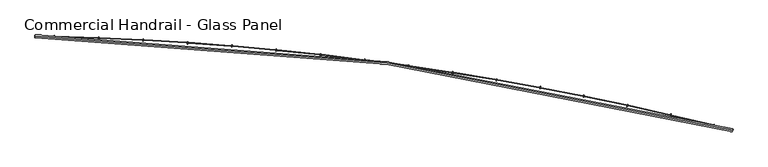
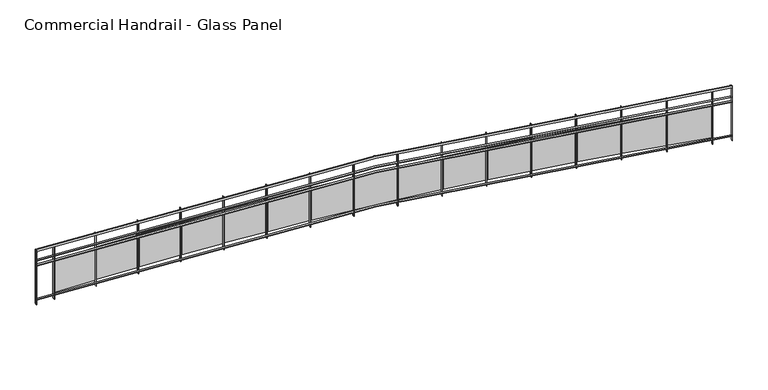
"""IFC4 building model written with IfcOpenShell, lengths in millimetres: railing geometry, Commercial Handrail - Glass Panel."""

from ifc_helpers import new_model, si_unit, point, frame, origin, place, context, project, spatial, polyline, circle_curve, ellipse_curve, trimmed, outline, extrude, source, transform, mapped, element, save
from ifc_brep_helpers import plane_surface, cylinder_surface, revolved_surface, advanced_brep


def commercial_handrail_glass_panel_f920b872(model_context):
    return source(origin(), model_context, "Body", "SolidModel", [
        advanced_brep(
        [(127651.4463587, -32615.5815285, 23082.5), (140199.431702, -34306.4790783, 23082.5), (140199.431702, -34306.4790783, 23117.5), (127651.4463587, -32615.5815285, 23117.5)],
        [
            (0, 1, circle_curve(frame((126699.3049554, -87085.4645407, 23082.5), z_axis=(0.0, 0.0, -1.0), x_axis=(0.24780785186476648, 0.9688092013158061, 0.0)), 54478.2041611)),
            (1, 2, ellipse_curve(frame((140199.431702, -34306.4790783, 23100.0), z_axis=(-0.9688092013158076, 0.2478078518647603, 0.0), x_axis=(0.2478078518647603, 0.9688092013158076, 0.0)), 25.0, 17.5)),
            (2, 3, circle_curve(frame((126699.3049554, -87085.4645407, 23117.5), z_axis=(0.0, 0.0, 1.0), x_axis=(0.24780785186476648, 0.9688092013158061, 0.0)), 54478.2041611)),
            (3, 0, ellipse_curve(frame((127651.4463587, -32615.5815285, 23100.0), z_axis=(0.9998472572840302, -0.01747747411963002, 0.0), x_axis=(0.01747747411963002, 0.9998472572840302, 0.0)), 25.0, 17.5)),
            (2, 1, ellipse_curve(frame((140199.431702, -34306.4790783, 23100.0), z_axis=(-0.9688092013158076, 0.2478078518647603, 0.0), x_axis=(0.2478078518647603, 0.9688092013158076, 0.0)), 25.0, 17.5)),
            (0, 3, ellipse_curve(frame((127651.4463587, -32615.5815285, 23100.0), z_axis=(0.9998472572840302, -0.01747747411963002, 0.0), x_axis=(0.01747747411963002, 0.9998472572840302, 0.0)), 25.0, 17.5)),
        ],
        [
            revolved_surface(trimmed(ellipse_curve(frame((140199.431702, -34306.4790783, 23100.0), z_axis=(0.9688092013158061, -0.24780785186476648, 0.0), x_axis=(0.0, 0.0, -1.0)), 17.5, 25.0), [point((140199.431702, -34306.4790783, 23117.5))], [point((140199.431702, -34306.4790783, 23082.5))], True, "CARTESIAN"), (126699.3049554, -87085.4645407, 23100.0), (0.0, 0.0, 1.0)),
            revolved_surface(trimmed(ellipse_curve(frame((140199.431702, -34306.4790783, 23100.0), z_axis=(0.9688092013158061, -0.24780785186476648, 0.0), x_axis=(0.0, 0.0, -1.0)), 17.5, 25.0), [point((140199.431702, -34306.4790783, 23082.5))], [point((140199.431702, -34306.4790783, 23117.5))], True, "CARTESIAN"), (126699.3049554, -87085.4645407, 23100.0), (0.0, 0.0, 1.0)),
            plane_surface(frame((140199.431702, -34306.4790783, 23100.0), z_axis=(0.9688092013158061, -0.24780785186476648, 0.0), x_axis=(0.24780785186476648, 0.9688092013158061, 0.0))),
            plane_surface(frame((127651.4463587, -32615.5815285, 23100.0), z_axis=(-0.9998472572840302, 0.01747747411963012, 0.0), x_axis=(0.01747747411963012, 0.9998472572840302, 0.0))),
        ],
        [
            (0, [[1, 2, 3, 4]]),
            (1, [[-3, 5, -1, 6]]),
            (2, [[-2, -5]]),
            (3, [[-6, -4]]),
        ],
    ),
        advanced_brep(
        [(127651.0531155, -32638.0780917, 22900.0), (140193.8560253, -34328.2772853, 22900.0), (140205.0073787, -34284.6808712, 22900.0), (127651.8396019, -32593.0849652, 22900.0), (127651.0531155, -32638.0780917, 22894.0), (140193.8560253, -34328.2772853, 22894.0), (127651.8396019, -32593.0849652, 22894.0), (140205.0073787, -34284.6808712, 22894.0)],
        [
            (0, 1, circle_curve(frame((126699.3049554, -87085.4645407, 22900.0), z_axis=(0.0, 0.0, -1.0), x_axis=(0.24780785186476648, 0.9688092013158061, 0.0)), 54455.7041611)),
            (1, 2),
            (2, 3, circle_curve(frame((126699.3049554, -87085.4645407, 22900.0), z_axis=(0.0, 0.0, 1.0), x_axis=(0.24780785186476648, 0.9688092013158061, 0.0)), 54500.7041611)),
            (3, 0),
            (4, 5, circle_curve(frame((126699.3049554, -87085.4645407, 22894.0), z_axis=(0.0, 0.0, -1.0), x_axis=(0.24780785186476648, 0.9688092013158061, 0.0)), 54455.7041611)),
            (5, 1),
            (0, 4),
            (6, 7, circle_curve(frame((126699.3049554, -87085.4645407, 22894.0), z_axis=(0.0, 0.0, -1.0), x_axis=(0.24780785186476648, 0.9688092013158061, 0.0)), 54500.7041611)),
            (7, 5),
            (4, 6),
            (2, 7),
            (6, 3),
        ],
        [
            plane_surface(frame((126699.3049554, -87085.4645407, 22900.0), z_axis=(0.0, 0.0, 1.0000000000000002), x_axis=(0.24780785186476648, 0.9688092013158061, 0.0))),
            revolved_surface(polyline([(140193.85602534542, -34328.2772852949, 22900.0), (140193.85602534542, -34328.2772852949, 22894.0)]), (126699.3049554, -87085.4645407, 22900.0), (0.0, 0.0, 1.0)),
            plane_surface(frame((126699.3049554, -87085.4645407, 22894.0), z_axis=(0.0, 0.0, -1.0000000000000002), x_axis=(0.24780785186476648, 0.9688092013158061, 0.0))),
            cylinder_surface(frame((126699.3049554, -87085.4645407, 22900.0), z_axis=(0.0, 0.0, 1.0), x_axis=(0.24780785186476648, 0.9688092013158061, 0.0)), 54500.7041611),
            plane_surface(frame((140199.431702, -34306.4790783, 22900.0), z_axis=(0.9688092013158061, -0.24780785186476648, 0.0), x_axis=(0.24780785186476648, 0.9688092013158061, 0.0))),
            plane_surface(frame((127651.4463587, -32615.5815285, 22900.0), z_axis=(-0.9998472572840302, 0.01747747411963012, 0.0), x_axis=(0.01747747411963012, 0.9998472572840302, 0.0))),
        ],
        [
            (0, [[1, 2, 3, 4]]),
            (1, [[5, 6, -1, 7]]),
            (2, [[8, 9, -5, 10]]),
            (3, [[-3, 11, -8, 12]]),
            (4, [[-2, -6, -9, -11]]),
            (5, [[-12, -10, -7, -4]]),
        ],
    ),
        advanced_brep(
        [(127651.0531155, -32638.0780917, 22800.0), (140193.8560253, -34328.2772853, 22800.0), (140205.0073787, -34284.6808712, 22800.0), (127651.8396019, -32593.0849652, 22800.0), (127651.0531155, -32638.0780917, 22794.0), (140193.8560253, -34328.2772853, 22794.0), (127651.8396019, -32593.0849652, 22794.0), (140205.0073787, -34284.6808712, 22794.0)],
        [
            (0, 1, circle_curve(frame((126699.3049554, -87085.4645407, 22800.0), z_axis=(0.0, 0.0, -1.0), x_axis=(0.24780785186476648, 0.9688092013158061, 0.0)), 54455.7041611)),
            (1, 2),
            (2, 3, circle_curve(frame((126699.3049554, -87085.4645407, 22800.0), z_axis=(0.0, 0.0, 1.0), x_axis=(0.24780785186476648, 0.9688092013158061, 0.0)), 54500.7041611)),
            (3, 0),
            (4, 5, circle_curve(frame((126699.3049554, -87085.4645407, 22794.0), z_axis=(0.0, 0.0, -1.0), x_axis=(0.24780785186476648, 0.9688092013158061, 0.0)), 54455.7041611)),
            (5, 1),
            (0, 4),
            (6, 7, circle_curve(frame((126699.3049554, -87085.4645407, 22794.0), z_axis=(0.0, 0.0, -1.0), x_axis=(0.24780785186476648, 0.9688092013158061, 0.0)), 54500.7041611)),
            (7, 5),
            (4, 6),
            (2, 7),
            (6, 3),
        ],
        [
            plane_surface(frame((126699.3049554, -87085.4645407, 22800.0), z_axis=(0.0, 0.0, 1.0000000000000002), x_axis=(0.24780785186476648, 0.9688092013158061, 0.0))),
            revolved_surface(polyline([(140193.85602534542, -34328.2772852949, 22800.0), (140193.85602534542, -34328.2772852949, 22794.0)]), (126699.3049554, -87085.4645407, 22800.0), (0.0, 0.0, 1.0)),
            plane_surface(frame((126699.3049554, -87085.4645407, 22794.0), z_axis=(0.0, 0.0, -1.0000000000000002), x_axis=(0.24780785186476648, 0.9688092013158061, 0.0))),
            cylinder_surface(frame((126699.3049554, -87085.4645407, 22800.0), z_axis=(0.0, 0.0, 1.0), x_axis=(0.24780785186476648, 0.9688092013158061, 0.0)), 54500.7041611),
            plane_surface(frame((140199.431702, -34306.4790783, 22800.0), z_axis=(0.9688092013158061, -0.24780785186476648, 0.0), x_axis=(0.24780785186476648, 0.9688092013158061, 0.0))),
            plane_surface(frame((127651.4463587, -32615.5815285, 22800.0), z_axis=(-0.9998472572840302, 0.01747747411963012, 0.0), x_axis=(0.01747747411963012, 0.9998472572840302, 0.0))),
        ],
        [
            (0, [[1, 2, 3, 4]]),
            (1, [[5, 6, -1, 7]]),
            (2, [[8, 9, -5, 10]]),
            (3, [[-3, 11, -8, 12]]),
            (4, [[-2, -6, -9, -11]]),
            (5, [[-12, -10, -7, -4]]),
        ],
    ),
        advanced_brep(
        [(127651.0531155, -32638.0780917, 22100.0), (140193.8560253, -34328.2772853, 22100.0), (140205.0073787, -34284.6808712, 22100.0), (127651.8396019, -32593.0849652, 22100.0), (127651.0531155, -32638.0780917, 22094.0), (140193.8560253, -34328.2772853, 22094.0), (127651.8396019, -32593.0849652, 22094.0), (140205.0073787, -34284.6808712, 22094.0)],
        [
            (0, 1, circle_curve(frame((126699.3049554, -87085.4645407, 22100.0), z_axis=(0.0, 0.0, -1.0), x_axis=(0.24780785186476648, 0.9688092013158061, 0.0)), 54455.7041611)),
            (1, 2),
            (2, 3, circle_curve(frame((126699.3049554, -87085.4645407, 22100.0), z_axis=(0.0, 0.0, 1.0), x_axis=(0.24780785186476648, 0.9688092013158061, 0.0)), 54500.7041611)),
            (3, 0),
            (4, 5, circle_curve(frame((126699.3049554, -87085.4645407, 22094.0), z_axis=(0.0, 0.0, -1.0), x_axis=(0.24780785186476648, 0.9688092013158061, 0.0)), 54455.7041611)),
            (5, 1),
            (0, 4),
            (6, 7, circle_curve(frame((126699.3049554, -87085.4645407, 22094.0), z_axis=(0.0, 0.0, -1.0), x_axis=(0.24780785186476648, 0.9688092013158061, 0.0)), 54500.7041611)),
            (7, 5),
            (4, 6),
            (2, 7),
            (6, 3),
        ],
        [
            plane_surface(frame((126699.3049554, -87085.4645407, 22100.0), z_axis=(0.0, 0.0, 1.0000000000000002), x_axis=(0.24780785186476648, 0.9688092013158061, 0.0))),
            revolved_surface(polyline([(140193.85602534542, -34328.2772852949, 22100.0), (140193.85602534542, -34328.2772852949, 22094.0)]), (126699.3049554, -87085.4645407, 22100.0), (0.0, 0.0, 1.0)),
            plane_surface(frame((126699.3049554, -87085.4645407, 22094.0), z_axis=(0.0, 0.0, -1.0000000000000002), x_axis=(0.24780785186476648, 0.9688092013158061, 0.0))),
            cylinder_surface(frame((126699.3049554, -87085.4645407, 22100.0), z_axis=(0.0, 0.0, 1.0), x_axis=(0.24780785186476648, 0.9688092013158061, 0.0)), 54500.7041611),
            plane_surface(frame((140199.431702, -34306.4790783, 22100.0), z_axis=(0.9688092013158061, -0.24780785186476648, 0.0), x_axis=(0.24780785186476648, 0.9688092013158061, 0.0))),
            plane_surface(frame((127651.4463587, -32615.5815285, 22100.0), z_axis=(-0.9998472572840302, 0.01747747411963012, 0.0), x_axis=(0.01747747411963012, 0.9998472572840302, 0.0))),
        ],
        [
            (0, [[1, 2, 3, 4]]),
            (1, [[5, 6, -1, 7]]),
            (2, [[8, 9, -5, 10]]),
            (3, [[-3, 11, -8, 12]]),
            (4, [[-2, -6, -9, -11]]),
            (5, [[-12, -10, -7, -4]]),
        ],
    ),
        extrude(outline(polyline([(127999.9429631, -32600.2821162), (127998.871532, -32645.2693592), (127992.873233, -32645.1265018), (127993.944664, -32600.1392587), (127999.9429631, -32600.2821162)])), frame((0.0, 0.0, 22000.0), z_axis=(0.0, 0.0, 1.0), x_axis=(1.0, 0.0, 0.0)), (0.0, 0.0, 1.0), 1082.1192282),
        extrude(outline(polyline([(128775.8848547, -32651.5298851), (128016.2536473, -32627.856511), (128016.6274374, -32615.8623341), (128776.2586449, -32639.5357081), (128775.8848547, -32651.5298851)])), frame((0.0, 0.0, 22120.0), z_axis=(0.0, 0.0, 1.0), x_axis=(1.0, 0.0, 0.0)), (0.0, 0.0, 1.0), 660.0),
        extrude(outline(polyline([(128799.8764477, -32625.2555578), (128798.1445285, -32670.2222172), (128792.1489739, -32669.9912946), (128793.8808931, -32625.0246352), (128799.8764477, -32625.2555578)])), frame((0.0, 0.0, 22000.0), z_axis=(0.0, 0.0, 1.0), x_axis=(1.0, 0.0, 0.0)), (0.0, 0.0, 1.0), 1082.1192282),
        extrude(outline(polyline([(129574.982143, -32687.8919213), (128815.7804641, -32653.0664896), (128816.3303393, -32641.0790947), (129575.5320183, -32675.9045264), (129574.982143, -32687.8919213)])), frame((0.0, 0.0, 22120.0), z_axis=(0.0, 0.0, 1.0), x_axis=(1.0, 0.0, 0.0)), (0.0, 0.0, 1.0), 660.0),
        extrude(outline(polyline([(129599.3569679, -32661.9727253), (129596.964934, -32706.9091045), (129590.9734168, -32706.5901666), (129593.3654507, -32661.6537874), (129599.3569679, -32661.9727253)])), frame((0.0, 0.0, 22000.0), z_axis=(0.0, 0.0, 1.0), x_axis=(1.0, 0.0, 0.0)), (0.0, 0.0, 1.0), 1082.1192282),
        extrude(outline(polyline([(130373.4593242, -32735.9841766), (129614.850887, -32690.014197), (129615.5767288, -32678.0361691), (130374.185166, -32724.0061487), (130373.4593242, -32735.9841766)])), frame((0.0, 0.0, 22120.0), z_axis=(0.0, 0.0, 1.0), x_axis=(1.0, 0.0, 0.0)), (0.0, 0.0, 1.0), 660.0),
        extrude(outline(polyline([(130398.2121248, -32710.4257011), (130395.160492, -32755.3221101), (130389.1743042, -32754.9152257), (130392.2259369, -32710.0188167), (130398.2121248, -32710.4257011)])), frame((0.0, 0.0, 22000.0), z_axis=(0.0, 0.0, 1.0), x_axis=(1.0, 0.0, 0.0)), (0.0, 0.0, 1.0), 1082.1192282),
        extrude(outline(polyline([(131171.1442157, -32795.7962805), (130413.2926055, -32738.6916659), (130414.1942573, -32726.7255879), (131172.0458675, -32783.8302025), (131171.1442157, -32795.7962805)])), frame((0.0, 0.0, 22120.0), z_axis=(0.0, 0.0, 1.0), x_axis=(1.0, 0.0, 0.0)), (0.0, 0.0, 1.0), 660.0),
        extrude(outline(polyline([(131196.2696543, -32770.6040368), (131192.5590808, -32815.4507942), (131186.5795131, -32814.956051), (131190.2900867, -32770.1092937), (131196.2696543, -32770.6040368)])), frame((0.0, 0.0, 22000.0), z_axis=(0.0, 0.0, 1.0), x_axis=(1.0, 0.0, 0.0)), (0.0, 0.0, 1.0), 1082.1192282),
        extrude(outline(polyline([(131967.8648058, -32867.3153352), (131210.9334448, -32799.0883995), (131212.0107122, -32787.1368517), (131968.9420732, -32855.3637874), (131967.8648058, -32867.3153352)])), frame((0.0, 0.0, 22120.0), z_axis=(0.0, 0.0, 1.0), x_axis=(1.0, 0.0, 0.0)), (0.0, 0.0, 1.0), 660.0),
        extrude(outline(polyline([(131993.3574644, -32842.4947558), (131988.9887502, -32887.2821908), (131983.0170922, -32886.6996956), (131987.3858064, -32841.9122605), (131993.3574644, -32842.4947558)])), frame((0.0, 0.0, 22000.0), z_axis=(0.0, 0.0, 1.0), x_axis=(1.0, 0.0, 0.0)), (0.0, 0.0, 1.0), 1082.1192282),
        extrude(outline(polyline([(132763.4492907, -32950.5259183), (132007.6014025, -32871.191374), (132008.8540532, -32859.2569336), (132764.7019414, -32938.591478), (132763.4492907, -32950.5259183)])), frame((0.0, 0.0, 22120.0), z_axis=(0.0, 0.0, 1.0), x_axis=(1.0, 0.0, 0.0)), (0.0, 0.0, 1.0), 660.0),
        extrude(outline(polyline([(132789.3036722, -32926.0823555), (132784.2777594, -32970.8008103), (132778.3152988, -32970.1306886), (132783.3412116, -32925.4122338), (132789.3036722, -32926.0823555)])), frame((0.0, 0.0, 22000.0), z_axis=(0.0, 0.0, 1.0), x_axis=(1.0, 0.0, 0.0)), (0.0, 0.0, 1.0), 1082.1192282),
        extrude(outline(polyline([(133557.7261118, -33045.4100865), (132803.1246864, -32954.9850411), (132804.5524503, -32943.0702817), (133559.1538757, -33033.4953272), (133557.7261118, -33045.4100865)])), frame((0.0, 0.0, 22120.0), z_axis=(0.0, 0.0, 1.0), x_axis=(1.0, 0.0, 0.0)), (0.0, 0.0, 1.0), 660.0),
        extrude(outline(polyline([(133583.9366409, -33021.3488112), (133578.2546133, -33065.9886428), (133572.3026358, -33065.2310391), (133577.9846634, -33020.5912075), (133583.9366409, -33021.3488112)])), frame((0.0, 0.0, 22000.0), z_axis=(0.0, 0.0, 1.0), x_axis=(1.0, 0.0, 0.0)), (0.0, 0.0, 1.0), 1082.1192282),
        extrude(outline(polyline([(134350.5239922, -33151.9473791), (133597.3317509, -33050.4513317), (133598.93432, -33038.5588226), (134352.1265613, -33140.05487), (134350.5239922, -33151.9473791)])), frame((0.0, 0.0, 22120.0), z_axis=(0.0, 0.0, 1.0), x_axis=(1.0, 0.0, 0.0)), (0.0, 0.0, 1.0), 660.0),
        extrude(outline(polyline([(134377.085017, -33128.2735799), (134370.7480998, -33172.8251621), (134364.8078888, -33171.9802398), (134371.144806, -33127.4286576), (134377.085017, -33128.2735799)])), frame((0.0, 0.0, 22000.0), z_axis=(0.0, 0.0, 1.0), x_axis=(1.0, 0.0, 0.0)), (0.0, 0.0, 1.0), 1082.1192282),
        extrude(outline(polyline([(135141.671974, -33270.1148225), (134390.0513341, -33157.5696596), (134391.828363, -33145.7019653), (135143.4490029, -33258.2471282), (135141.671974, -33270.1148225)])), frame((0.0, 0.0, 22120.0), z_axis=(0.0, 0.0, 1.0), x_axis=(1.0, 0.0, 0.0)), (0.0, 0.0, 1.0), 660.0),
        extrude(outline(polyline([(135168.5777669, -33246.8336043), (135161.5873266, -33291.2873302), (135155.6601632, -33290.3552715), (135162.6506034, -33245.9015456), (135168.5777669, -33246.8336043)])), frame((0.0, 0.0, 22000.0), z_axis=(0.0, 0.0, 1.0), x_axis=(1.0, 0.0, 0.0)), (0.0, 0.0, 1.0), 1082.1192282),
        extrude(outline(polyline([(135930.9994552, -33399.8869352), (135181.1124952, -33276.3169259), (135183.0636006, -33264.4766055), (135932.9505607, -33388.0466148), (135930.9994552, -33399.8869352)])), frame((0.0, 0.0, 22120.0), z_axis=(0.0, 0.0, 1.0), x_axis=(1.0, 0.0, 0.0)), (0.0, 0.0, 1.0), 660.0),
        extrude(outline(polyline([(135958.2442142, -33377.0033185), (135950.6017583, -33421.3496021), (135944.6889205, -33420.330608), (135952.3313764, -33375.9843244), (135958.2442142, -33377.0033185)])), frame((0.0, 0.0, 22000.0), z_axis=(0.0, 0.0, 1.0), x_axis=(1.0, 0.0, 0.0)), (0.0, 0.0, 1.0), 1082.1192282),
        extrude(outline(polyline([(136718.3362263, -33541.2357335), (135970.3446508, -33406.6675242), (135972.469412, -33394.8571309), (136720.4609875, -33529.4253402), (136718.3362263, -33541.2357335)])), frame((0.0, 0.0, 22120.0), z_axis=(0.0, 0.0, 1.0), x_axis=(1.0, 0.0, 0.0)), (0.0, 0.0, 1.0), 660.0),
        extrude(outline(polyline([(136745.9140764, -33518.7546527), (136737.6212529, -33562.9839312), (136731.7240157, -33561.8782214), (136740.0168393, -33517.6489429), (136745.9140764, -33518.7546527)])), frame((0.0, 0.0, 22000.0), z_axis=(0.0, 0.0, 1.0), x_axis=(1.0, 0.0, 0.0)), (0.0, 0.0, 1.0), 1082.1192282),
        extrude(outline(polyline([(137503.512507, -33694.1307369), (136757.5776119, -33548.5933458), (136759.8755707, -33536.8154264), (137505.8104658, -33682.3528175), (137503.512507, -33694.1307369)])), frame((0.0, 0.0, 22120.0), z_axis=(0.0, 0.0, 1.0), x_axis=(1.0, 0.0, 0.0)), (0.0, 0.0, 1.0), 660.0),
        extrude(outline(polyline([(137531.4175014, -33672.0570399), (137522.4760984, -33716.1597758), (137516.5957336, -33714.9675887), (137525.5371366, -33670.8648528), (137531.4175014, -33672.0570399)])), frame((0.0, 0.0, 22000.0), z_axis=(0.0, 0.0, 1.0), x_axis=(1.0, 0.0, 0.0)), (0.0, 0.0, 1.0), 1082.1192282),
        extrude(outline(polyline([(138286.358983, -33858.5389754), (137542.6416206, -33702.063786), (137545.1122815, -33690.3208803), (138288.8296439, -33846.7960697), (138286.358983, -33858.5389754)])), frame((0.0, 0.0, 22120.0), z_axis=(0.0, 0.0, 1.0), x_axis=(1.0, 0.0, 0.0)), (0.0, 0.0, 1.0), 660.0),
        extrude(outline(polyline([(138314.5851042, -33836.8774222), (138304.99705, -33880.8441052), (138299.1348256, -33879.5656979), (138308.7228798, -33835.5990149), (138314.5851042, -33836.8774222)])), frame((0.0, 0.0, 22000.0), z_axis=(0.0, 0.0, 1.0), x_axis=(1.0, 0.0, 0.0)), (0.0, 0.0, 1.0), 1082.1192282),
        extrude(outline(polyline([(139066.7068423, -34034.4249963), (138325.3673869, -33867.0457507), (138328.0102171, -33855.3403909), (139069.3496725, -34022.7196365), (139066.7068423, -34034.4249963)])), frame((0.0, 0.0, 22120.0), z_axis=(0.0, 0.0, 1.0), x_axis=(1.0, 0.0, 0.0)), (0.0, 0.0, 1.0), 660.0),
        extrude(outline(polyline([(139095.2480037, -34013.1802579), (139085.0153658, -34057.0014071), (139079.1725459, -34055.6370554), (139089.4051838, -34011.8159061), (139095.2480037, -34013.1802579)])), frame((0.0, 0.0, 22000.0), z_axis=(0.0, 0.0, 1.0), x_axis=(1.0, 0.0, 0.0)), (0.0, 0.0, 1.0), 1082.1192282),
        extrude(outline(polyline([(139844.3878118, -34221.7508718), (139105.5861248, -34043.5036633), (139108.4005544, -34031.8383735), (139847.2022414, -34210.085582), (139844.3878118, -34221.7508718)])), frame((0.0, 0.0, 22120.0), z_axis=(0.0, 0.0, 1.0), x_axis=(1.0, 0.0, 0.0)), (0.0, 0.0, 1.0), 660.0),
        extrude(outline(polyline([(139873.2378588, -34200.9275293), (139862.3628437, -34244.5936952), (139856.5406882, -34243.1436932), (139867.4157033, -34199.4775273), (139873.2378588, -34200.9275293)])), frame((0.0, 0.0, 22000.0), z_axis=(0.0, 0.0, 1.0), x_axis=(1.0, 0.0, 0.0)), (0.0, 0.0, 1.0), 1082.1192282),
        extrude(outline(polyline([(127654.8391437, -32593.1373976), (127654.0526573, -32638.1305242), (127648.0535738, -32638.0256593), (127648.8400601, -32593.0325327), (127654.8391437, -32593.1373976)])), frame((0.0, 0.0, 22000.0), z_axis=(0.0, 0.0, 1.0), x_axis=(1.0, 0.0, 0.0)), (0.0, 0.0, 1.0), 1082.1192282),
        extrude(outline(polyline([(140207.9138063, -34285.4242948), (140196.7624529, -34329.0207088), (140190.9495977, -34327.5338617), (140202.1009511, -34283.9374477), (140207.9138063, -34285.4242948)])), frame((0.0, 0.0, 22000.0), z_axis=(0.0, 0.0, 1.0), x_axis=(1.0, 0.0, 0.0)), (0.0, 0.0, 1.0), 1082.1192282),
    ])


if __name__ == "__main__":
    model = new_model("IFC4")
    model_context = context("Model", 3, world=origin())
    ifc_project = project(units=[si_unit("LENGTHUNIT", "METRE", prefix="MILLI")], contexts=[model_context])
    site = spatial("IfcSite", under=ifc_project)
    building = spatial("IfcBuilding", under=site)
    placement = place(None, origin())
    commercial_handrail_glass_panel_shape = commercial_handrail_glass_panel_f920b872(model_context)
    element("IfcRailing", 1, ObjectType="Commercial Handrail - Glass Panel", at=placement, inside=building, context=model_context, shape_type="MappedRepresentation", body=[
        mapped(commercial_handrail_glass_panel_shape, transform((0.0, 0.0, 0.0), x_axis=(1.0, 0.0, 0.0), y_axis=(0.0, 1.0, 0.0), z_axis=(0.0, 0.0, 1.0))),
    ])
    save(model, "model.ifc")
